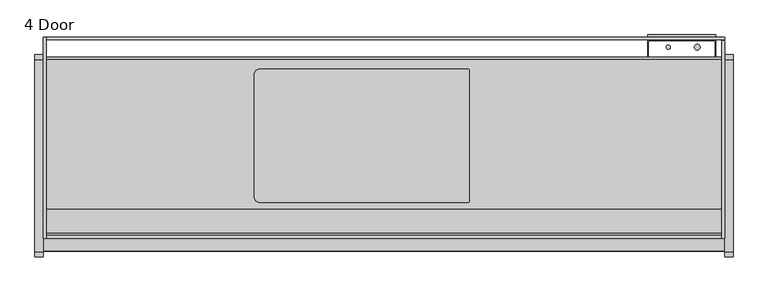
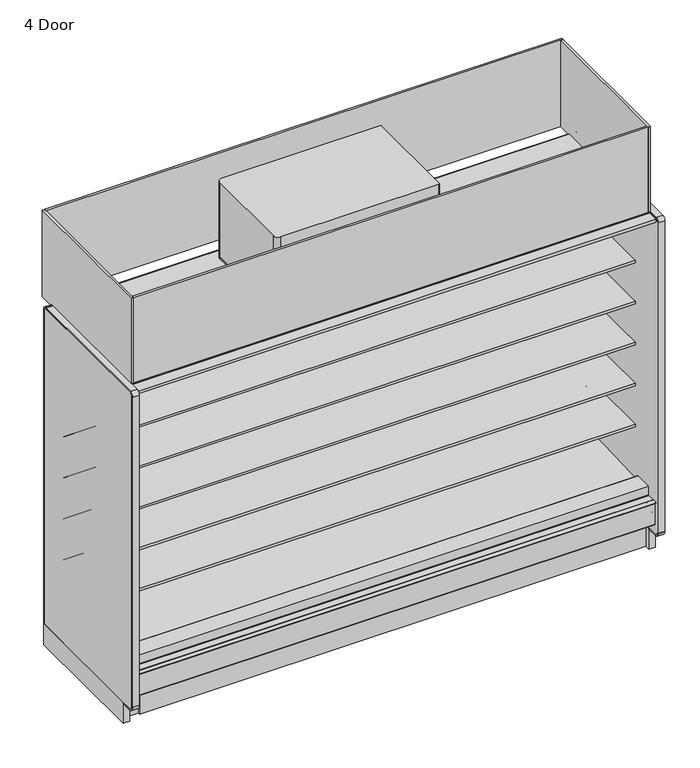
"""IFC4 building model written with IfcOpenShell, lengths in millimetres: proxy geometry, 4 Door."""

from ifc_helpers import new_model, si_unit, point, frame, frame_2d, origin, origin_with_axes, place, context, project, spatial, polyline, circle_curve, trimmed, segment, composite_curve, outline, extrude, source, transform, mapped, element, save


def proxy_4_door_6a952fb0(model_context):
    return source(origin(), model_context, "Body", "SweptSolid", [
        extrude(outline(polyline([(-1104.6571273, 0.0), (-1117.3571273, 0.0), (-1117.3571273, 195.9867506), (-1104.6571273, 185.3301853), (-1104.6571273, 0.0)])), frame((76.2, 0.0, 0.0), z_axis=(1.0, 0.0, 0.0), x_axis=(0.0, 1.0, 0.0)), (0.0, 0.0, 1.0), 2971.8),
        extrude(outline(polyline([(-1076.9207723, 2007.1442562), (-1074.8612926, 2015.4043781), (-1036.8504523, 2005.9272112), (-1039.7781058, 1997.8835493), (-1076.9207723, 2007.1442562)])), frame((76.2, 0.0, 0.0), z_axis=(1.0, 0.0, 0.0), x_axis=(0.0, 1.0, 0.0)), (0.0, 0.0, 1.0), 2971.8),
        extrude(outline(polyline([(3048.0, -361.7071273), (3048.0, -1161.8071273), (0.0, -1161.8071273), (0.0, -361.7071273), (3048.0, -361.7071273)])), frame((0.0, 0.0, 2096.29375), z_axis=(0.0, 0.0, 1.0), x_axis=(1.0, 0.0, 0.0)), (0.0, 0.0, 1.0), 6.35),
        extrude(outline(composite_curve([segment(polyline([(942.975, -976.3814161), (942.975, -428.9752148)]), True, "CONTINUOUS"), segment(trimmed(circle_curve(frame_2d((968.375, -428.9752148)), 25.4), [point((942.975, -428.9752148))], [point((968.375, -403.5752148))], False, "CARTESIAN"), True, "CONTINUOUS"), segment(polyline([(968.375, -403.5752148), (1899.62536, -403.5752148)]), True, "CONTINUOUS"), segment(trimmed(circle_curve(frame_2d((1899.62536, -408.9498548)), 5.37464), [point((1899.62536, -403.5752148))], [point((1905.0, -408.9498548))], False, "CARTESIAN"), True, "CONTINUOUS"), segment(polyline([(1905.0, -408.9498548), (1905.0, -996.4067761)]), True, "CONTINUOUS"), segment(trimmed(circle_curve(frame_2d((1899.62536, -996.4067761)), 5.37464), [point((1905.0, -996.4067761))], [point((1899.62536, -1001.7814161))], False, "CARTESIAN"), True, "CONTINUOUS"), segment(polyline([(1899.62536, -1001.7814161), (968.375, -1001.7814161)]), True, "CONTINUOUS"), segment(trimmed(circle_curve(frame_2d((968.375, -976.3814161)), 25.4), [point((968.375, -1001.7814161))], [point((942.975, -976.3814161))], False, "CARTESIAN"), True, "CONTINUOUS")], self_intersect=False)), frame((0.0, 0.0, 2102.64375), z_axis=(0.0, 0.0, 1.0), x_axis=(1.0, 0.0, 0.0)), (0.0, 0.0, 1.0), 12.7),
        extrude(outline(composite_curve([segment(polyline([(942.975, -976.3814161), (942.975, -428.9752148)]), True, "CONTINUOUS"), segment(trimmed(circle_curve(frame_2d((968.375, -428.9752148)), 25.4), [point((942.975, -428.9752148))], [point((968.375, -403.5752148))], False, "CARTESIAN"), True, "CONTINUOUS"), segment(polyline([(968.375, -403.5752148), (1899.62536, -403.5752148)]), True, "CONTINUOUS"), segment(trimmed(circle_curve(frame_2d((1899.62536, -408.9498548)), 5.37464), [point((1899.62536, -403.5752148))], [point((1905.0, -408.9498548))], False, "CARTESIAN"), True, "CONTINUOUS"), segment(polyline([(1905.0, -408.9498548), (1905.0, -996.4067761)]), True, "CONTINUOUS"), segment(trimmed(circle_curve(frame_2d((1899.62536, -996.4067761)), 5.37464), [point((1905.0, -996.4067761))], [point((1899.62536, -1001.7814161))], False, "CARTESIAN"), True, "CONTINUOUS"), segment(polyline([(1899.62536, -1001.7814161), (968.375, -1001.7814161)]), True, "CONTINUOUS"), segment(trimmed(circle_curve(frame_2d((968.375, -976.3814161)), 25.4), [point((968.375, -1001.7814161))], [point((942.975, -976.3814161))], False, "CARTESIAN"), True, "CONTINUOUS")], self_intersect=False)), frame((0.0, 0.0, 2115.34375), z_axis=(0.0, 0.0, 1.0), x_axis=(1.0, 0.0, 0.0)), (0.0, 0.0, 1.0), 461.75168),
        extrude(outline(polyline([(3048.0, -275.6866697), (3048.0, -1161.8071273), (3035.3, -1161.8071273), (3035.3, -275.6866697), (3048.0, -275.6866697)])), frame((0.0, 0.0, 2096.29375), z_axis=(0.0, 0.0, 1.0), x_axis=(1.0, 0.0, 0.0)), (0.0, 0.0, 1.0), 535.78125),
        extrude(outline(polyline([(12.7, -260.1071273), (12.7, -1161.8071273), (0.0, -1161.8071273), (0.0, -260.1071273), (12.7, -260.1071273)])), frame((0.0, 0.0, 2096.29375), z_axis=(0.0, 0.0, 1.0), x_axis=(1.0, 0.0, 0.0)), (0.0, 0.0, 1.0), 535.78125),
        extrude(outline(polyline([(3048.0, -260.1071273), (3048.0, -272.8071273), (12.7, -272.8071273), (12.7, -260.1071273), (3048.0, -260.1071273)])), frame((0.0, 0.0, 2096.29375), z_axis=(0.0, 0.0, 1.0), x_axis=(1.0, 0.0, 0.0)), (0.0, 0.0, 1.0), 536.1572188),
        extrude(outline(composite_curve([segment(polyline([(-1032.1083773, 2096.29375), (-1161.8071273, 2096.29375), (-1161.8071273, 2632.075), (-1149.113193, 2632.075), (-1149.113193, 2133.6584688)]), True, "CONTINUOUS"), segment(trimmed(circle_curve(frame_2d((-1136.413193, 2133.6584688)), 12.7), [point((-1149.113193, 2133.6584688))], [point((-1136.413193, 2120.9584688))], True, "CARTESIAN"), True, "CONTINUOUS"), segment(polyline([(-1136.413193, 2120.9584688), (-1032.1083773, 2120.9584688), (-1032.1083773, 2096.29375)]), True, "CONTINUOUS")], self_intersect=False)), frame((12.7, 0.0, 0.0), z_axis=(1.0, 0.0, 0.0), x_axis=(0.0, 1.0, 0.0)), (0.0, 0.0, 1.0), 3035.3),
        extrude(outline(polyline([(-349.0071273, 129.3876), (-1037.9873503, 129.3876), (-1192.1324192, 258.7306705), (-1192.1324192, 300.7449388), (-1137.9651974, 300.7449388), (-1137.9651974, 283.9418925), (-1025.3654807, 189.4595117), (-1009.819944, 190.0023738), (-964.4677493, 157.1934642), (-899.9654388, 159.4459345), (-859.8822128, 192.9404113), (-399.8071273, 220.5904298), (-399.8071273, 2043.9583622), (-1134.8551873, 2043.9583622), (-1134.8551873, 2095.5), (-349.0071273, 2095.5), (-349.0071273, 129.3876)])), frame((0.0, 0.0, 0.0), z_axis=(1.0, 0.0, 0.0), x_axis=(0.0, 1.0, 0.0)), (0.0, 0.0, 1.0), 3048.0),
        extrude(outline(polyline([(-394.9429832, 0.0), (-394.9429832, 73.7380382), (-893.6212714, 73.7380382), (-893.6212714, 0.0), (-958.6071273, 0.0), (-958.6071273, 129.3876), (-349.0071273, 129.3876), (-349.0071273, 0.0), (-394.9429832, 0.0)])), frame((0.0, 0.0, 0.0), z_axis=(1.0, 0.0, 0.0), x_axis=(0.0, 1.0, 0.0)), (0.0, 0.0, 1.0), 3048.0),
        extrude(outline(composite_curve([segment(polyline([(-1219.271907, 334.0862), (-1192.8205273, 334.0862)]), True, "CONTINUOUS"), segment(trimmed(circle_curve(frame_2d((-1192.8205273, 332.1304)), 1.9558), [point((-1192.8205273, 334.0862))], [point((-1190.8647273, 332.1304))], False, "CARTESIAN"), True, "CONTINUOUS"), segment(polyline([(-1190.8647273, 332.1304), (-1190.8647273, 321.3862), (-1190.8647273, 300.7449388), (-1192.1324192, 300.7449388), (-1192.1324192, 321.3862), (-1192.1324192, 332.1304)]), True, "CONTINUOUS"), segment(trimmed(circle_curve(frame_2d((-1192.9198192, 332.1304)), 0.7874), [point((-1192.1324192, 332.1304))], [point((-1192.9198192, 332.9178))], True, "CARTESIAN"), True, "CONTINUOUS"), segment(polyline([(-1192.9198192, 332.9178), (-1219.271907, 332.9178), (-1219.271907, 334.0862)]), True, "CONTINUOUS")], self_intersect=False)), frame((0.0, 0.0, 0.0), z_axis=(1.0, 0.0, 0.0), x_axis=(0.0, 1.0, 0.0)), (0.0, 0.0, 1.0), 3048.0),
        extrude(outline(composite_curve([segment(polyline([(-1147.6832716, 221.4334071), (-1204.6262772, 188.5573475)]), True, "CONTINUOUS"), segment(trimmed(circle_curve(frame_2d((-1205.4517772, 189.9871554)), 1.651), [point((-1204.6262772, 188.5573475))], [point((-1207.1027772, 189.9871554))], False, "CARTESIAN"), True, "CONTINUOUS"), segment(polyline([(-1207.1027772, 189.9871554), (-1207.1027772, 191.5746554), (-1207.1027772, 320.4775395), (-1207.1027772, 322.0015395)]), True, "CONTINUOUS"), segment(trimmed(circle_curve(frame_2d((-1205.4517772, 322.0015395)), 1.651), [point((-1207.1027772, 322.0015395))], [point((-1205.4517772, 323.6525395))], False, "CARTESIAN"), True, "CONTINUOUS"), segment(polyline([(-1205.4517772, 323.6525395), (-1199.1652772, 323.6525395), (-1199.1652772, 322.7889395), (-1205.4517772, 322.7889395)]), True, "CONTINUOUS"), segment(trimmed(circle_curve(frame_2d((-1205.4517772, 322.0015395)), 0.7874), [point((-1205.4517772, 322.7889395))], [point((-1206.2391772, 322.0015395))], True, "CARTESIAN"), True, "CONTINUOUS"), segment(polyline([(-1206.2391772, 322.0015395), (-1206.2391772, 320.4775395), (-1206.2391772, 189.9871554)]), True, "CONTINUOUS"), segment(trimmed(circle_curve(frame_2d((-1205.4517772, 189.9871554)), 0.7874), [point((-1206.2391772, 189.9871554))], [point((-1205.0580772, 189.305247))], True, "CARTESIAN"), True, "CONTINUOUS"), segment(polyline([(-1205.0580772, 189.305247), (-1148.3872848, 222.0241443), (-1147.6832716, 221.4334071)]), True, "CONTINUOUS")], self_intersect=False)), frame((0.0, 0.0, 0.0), z_axis=(1.0, 0.0, 0.0), x_axis=(0.0, 1.0, 0.0)), (0.0, 0.0, 1.0), 3048.0),
        extrude(outline(composite_curve([segment(polyline([(-451.3116948, 591.1422184), (-462.4195871, 590.9259013)]), True, "CONTINUOUS"), segment(trimmed(circle_curve(frame_2d((-462.9075328, 615.9819291)), 25.0607786), [point((-462.4195871, 590.9259013))], [point((-478.8148554, 596.6170199))], False, "CARTESIAN"), True, "CONTINUOUS"), segment(polyline([(-478.8148554, 596.6170199), (-517.036556, 627.7002885)]), True, "CONTINUOUS"), segment(trimmed(circle_curve(frame_2d((-557.1010291, 578.4348036)), 63.5), [point((-517.036556, 627.7002885))], [point((-550.2480196, 641.5639274))], True, "CARTESIAN"), True, "CONTINUOUS"), segment(polyline([(-550.2480196, 641.5639274), (-889.6556929, 674.1744175), (-889.6556929, 678.4587439), (-1010.0816513, 678.4587439), (-1010.0816513, 691.9524939), (-451.3116948, 691.9524939), (-451.3116948, 591.1422184)]), True, "CONTINUOUS")], self_intersect=False)), frame((0.0, 0.0, 0.0), z_axis=(1.0, 0.0, 0.0), x_axis=(0.0, 1.0, 0.0)), (0.0, 0.0, 1.0), 3048.0),
        extrude(outline(composite_curve([segment(polyline([(-451.3116948, 845.1422184), (-462.4195871, 844.9259013)]), True, "CONTINUOUS"), segment(trimmed(circle_curve(frame_2d((-462.9075328, 869.9819291)), 25.0607786), [point((-462.4195871, 844.9259013))], [point((-478.8148554, 850.6170199))], False, "CARTESIAN"), True, "CONTINUOUS"), segment(polyline([(-478.8148554, 850.6170199), (-517.036556, 881.7002885)]), True, "CONTINUOUS"), segment(trimmed(circle_curve(frame_2d((-557.1010291, 832.4348036)), 63.5), [point((-517.036556, 881.7002885))], [point((-550.2480196, 895.5639274))], True, "CARTESIAN"), True, "CONTINUOUS"), segment(polyline([(-550.2480196, 895.5639274), (-889.6556929, 928.1744175), (-889.6556929, 932.4587439), (-1010.0816513, 932.4587439), (-1010.0816513, 945.9524939), (-451.3116948, 945.9524939), (-451.3116948, 845.1422184)]), True, "CONTINUOUS")], self_intersect=False)), frame((0.0, 0.0, 0.0), z_axis=(1.0, 0.0, 0.0), x_axis=(0.0, 1.0, 0.0)), (0.0, 0.0, 1.0), 3048.0),
        extrude(outline(composite_curve([segment(polyline([(-451.3116948, 1099.1422184), (-462.4195871, 1098.9259013)]), True, "CONTINUOUS"), segment(trimmed(circle_curve(frame_2d((-462.9075328, 1123.9819291)), 25.0607786), [point((-462.4195871, 1098.9259013))], [point((-478.8148554, 1104.6170199))], False, "CARTESIAN"), True, "CONTINUOUS"), segment(polyline([(-478.8148554, 1104.6170199), (-517.036556, 1135.7002885)]), True, "CONTINUOUS"), segment(trimmed(circle_curve(frame_2d((-557.1010291, 1086.4348036)), 63.5), [point((-517.036556, 1135.7002885))], [point((-550.2480196, 1149.5639274))], True, "CARTESIAN"), True, "CONTINUOUS"), segment(polyline([(-550.2480196, 1149.5639274), (-889.6556929, 1182.1744175), (-889.6556929, 1186.4587439), (-1010.0816513, 1186.4587439), (-1010.0816513, 1199.9524939), (-451.3116948, 1199.9524939), (-451.3116948, 1099.1422184)]), True, "CONTINUOUS")], self_intersect=False)), frame((0.0, 0.0, 0.0), z_axis=(1.0, 0.0, 0.0), x_axis=(0.0, 1.0, 0.0)), (0.0, 0.0, 1.0), 3048.0),
        extrude(outline(composite_curve([segment(polyline([(-451.3116948, 1353.1422184), (-462.4195871, 1352.9259013)]), True, "CONTINUOUS"), segment(trimmed(circle_curve(frame_2d((-462.9075328, 1377.9819291)), 25.0607786), [point((-462.4195871, 1352.9259013))], [point((-478.8148554, 1358.6170199))], False, "CARTESIAN"), True, "CONTINUOUS"), segment(polyline([(-478.8148554, 1358.6170199), (-517.036556, 1389.7002885)]), True, "CONTINUOUS"), segment(trimmed(circle_curve(frame_2d((-557.1010291, 1340.4348036)), 63.5), [point((-517.036556, 1389.7002885))], [point((-550.2480196, 1403.5639274))], True, "CARTESIAN"), True, "CONTINUOUS"), segment(polyline([(-550.2480196, 1403.5639274), (-889.6556929, 1436.1744175), (-889.6556929, 1440.4587439), (-1010.0816513, 1440.4587439), (-1010.0816513, 1453.9524939), (-451.3116948, 1453.9524939), (-451.3116948, 1353.1422184)]), True, "CONTINUOUS")], self_intersect=False)), frame((0.0, 0.0, 0.0), z_axis=(1.0, 0.0, 0.0), x_axis=(0.0, 1.0, 0.0)), (0.0, 0.0, 1.0), 3048.0),
        extrude(outline(polyline([(-1218.7163962, 2070.8112), (-1218.7163962, 2089.15), (-1134.8551873, 2089.15), (-1134.8551873, 2043.9583622), (-1147.784197, 2043.9583622), (-1147.784197, 2070.8112), (-1218.7163962, 2070.8112)])), frame((0.0, 0.0, 0.0), z_axis=(1.0, 0.0, 0.0), x_axis=(0.0, 1.0, 0.0)), (0.0, 0.0, 1.0), 3048.0),
        extrude(outline(polyline([(-1147.784197, 334.0862), (-1141.434197, 334.0862), (-1141.434197, 302.7473029), (-1141.434197, 300.7449388), (-1190.8639311, 300.7449388), (-1190.8657083, 334.0862), (-1147.784197, 334.0862)])), frame((0.0, 0.0, 0.0), z_axis=(1.0, 0.0, 0.0), x_axis=(0.0, 1.0, 0.0)), (0.0, 0.0, 1.0), 3048.0),
        extrude(outline(composite_curve([segment(polyline([(-451.3116948, 1607.1422184), (-462.4195871, 1606.9259013)]), True, "CONTINUOUS"), segment(trimmed(circle_curve(frame_2d((-462.9075328, 1631.9819291)), 25.0607786), [point((-462.4195871, 1606.9259013))], [point((-478.8148554, 1612.6170199))], False, "CARTESIAN"), True, "CONTINUOUS"), segment(polyline([(-478.8148554, 1612.6170199), (-517.036556, 1643.7002885)]), True, "CONTINUOUS"), segment(trimmed(circle_curve(frame_2d((-557.1010291, 1594.4348036)), 63.5), [point((-517.036556, 1643.7002885))], [point((-550.2480196, 1657.5639274))], True, "CARTESIAN"), True, "CONTINUOUS"), segment(polyline([(-550.2480196, 1657.5639274), (-889.6556929, 1690.1744175), (-889.6556929, 1694.4587439), (-1010.1116948, 1694.4587439), (-1010.1116948, 1707.9524939), (-451.3116948, 1707.9524939), (-451.3116948, 1607.1422184)]), True, "CONTINUOUS")], self_intersect=False)), frame((0.0, 0.0, 0.0), z_axis=(1.0, 0.0, 0.0), x_axis=(0.0, 1.0, 0.0)), (0.0, 0.0, 1.0), 3048.0),
        extrude(outline(polyline([(-567.2562782, 2018.5249991), (-1017.6292833, 2018.5249991), (-1036.9661273, 1995.0715709), (-1041.9696546, 1996.3190903), (-1041.4741571, 1998.3064224), (-1039.7781058, 1997.8835493), (-1021.8347672, 2018.5249991), (-1076.9207723, 2018.5249991), (-1076.9207723, 2007.1442562), (-1074.5967475, 2006.5648117), (-1075.092245, 2004.5774796), (-1080.0957723, 2005.8249991), (-1080.0957723, 2018.5249991), (-1089.6692942, 2018.5249991), (-1089.6692942, 2034.8268848), (-1102.3692942, 2034.8268848), (-1102.3692942, 2043.9583622), (-399.8071273, 2043.9583622), (-399.8071273, 300.7449388), (-451.3116948, 300.7449388), (-451.3116948, 2018.5249991), (-567.2562782, 2018.5249991)])), frame((0.0, 0.0, 0.0), z_axis=(1.0, 0.0, 0.0), x_axis=(0.0, 1.0, 0.0)), (0.0, 0.0, 1.0), 3048.0),
        extrude(outline(composite_curve([segment(polyline([(-549.102044, 376.9132463), (-549.102044, 389.995836), (-476.8468712, 389.995836), (-476.8468712, 399.2749991), (-451.3116948, 399.2749991), (-451.3116948, 380.470836), (-451.3116948, 300.7449388), (-399.8071273, 300.7449388), (-399.8071273, 220.5904298), (-859.8822128, 192.9404113), (-899.9654388, 159.4459345), (-964.4677493, 157.1934642), (-1009.819944, 190.0023738), (-1025.3654807, 189.4595117), (-1137.9651974, 283.9418925), (-1137.9651974, 300.7449388), (-1141.434197, 300.7449388), (-1141.434197, 388.7420495), (-1036.9661273, 388.7420495)]), True, "CONTINUOUS"), segment(trimmed(circle_curve(frame_2d((-1036.9661273, 386.6846495)), 2.0574), [point((-1036.9661273, 388.7420495))], [point((-1034.9087273, 386.6846495))], False, "CARTESIAN"), True, "CONTINUOUS"), segment(polyline([(-1034.9087273, 386.6846495), (-1034.9087273, 358.7683558), (-549.102044, 376.9132463)]), True, "CONTINUOUS")], self_intersect=False)), frame((0.0, 0.0, 0.0), z_axis=(1.0, 0.0, 0.0), x_axis=(0.0, 1.0, 0.0)), (0.0, 0.0, 1.0), 3048.0),
        extrude(outline(composite_curve([segment(trimmed(circle_curve(frame_2d((2925.8082444, -305.1108756)), 12.7), [point((2913.1082444, -305.1108756))], [point((2938.5082444, -305.1108756))], False, "CARTESIAN"), True, "CONTINUOUS"), segment(trimmed(circle_curve(frame_2d((2925.8082444, -305.1108756)), 12.7), [point((2938.5082444, -305.1108756))], [point((2913.1082444, -305.1108756))], False, "CARTESIAN"), True, "CONTINUOUS")], self_intersect=False)), frame((0.0, 0.0, 1138.0399939), z_axis=(0.0, 0.0, 1.0), x_axis=(1.0, 0.0, 0.0)), (0.0, 0.0, 1.0), 554.8039204),
        extrude(outline(composite_curve([segment(trimmed(circle_curve(frame_2d((2796.38125, -305.1108756)), 9.525), [point((2786.85625, -305.1108756))], [point((2805.90625, -305.1108756))], False, "CARTESIAN"), True, "CONTINUOUS"), segment(trimmed(circle_curve(frame_2d((2796.38125, -305.1108756)), 9.525), [point((2805.90625, -305.1108756))], [point((2786.85625, -305.1108756))], False, "CARTESIAN"), True, "CONTINUOUS")], self_intersect=False)), frame((0.0, 0.0, 1138.0399939), z_axis=(0.0, 0.0, 1.0), x_axis=(1.0, 0.0, 0.0)), (0.0, 0.0, 1.0), 554.8039204),
        extrude(outline(composite_curve([segment(polyline([(-349.0071273, 133.35), (-1209.4321273, 133.35)]), True, "CONTINUOUS"), segment(trimmed(circle_curve(frame_2d((-1209.4321273, 158.75)), 25.4), [point((-1209.4321273, 133.35))], [point((-1234.8321273, 158.75))], False, "CARTESIAN"), True, "CONTINUOUS"), segment(polyline([(-1234.8321273, 158.75), (-1234.8321273, 2082.8)]), True, "CONTINUOUS"), segment(trimmed(circle_curve(frame_2d((-1222.1321273, 2082.8)), 12.7), [point((-1234.8321273, 2082.8))], [point((-1222.1321273, 2095.5))], False, "CARTESIAN"), True, "CONTINUOUS"), segment(polyline([(-1222.1321273, 2095.5), (-361.7071273, 2095.5)]), True, "CONTINUOUS"), segment(trimmed(circle_curve(frame_2d((-361.7071273, 2082.8)), 12.7), [point((-361.7071273, 2095.5))], [point((-349.0071273, 2082.8))], False, "CARTESIAN"), True, "CONTINUOUS"), segment(polyline([(-349.0071273, 2082.8), (-349.0071273, 133.35)]), True, "CONTINUOUS")], self_intersect=False)), frame((3048.0, 0.0, 0.0), z_axis=(1.0, 0.0, 0.0), x_axis=(0.0, 1.0, 0.0)), (0.0, 0.0, 1.0), 38.1),
        extrude(outline(composite_curve([segment(polyline([(-349.0071273, 133.35), (-349.0071273, 2082.8)]), True, "CONTINUOUS"), segment(trimmed(circle_curve(frame_2d((-361.7071273, 2082.8)), 12.7), [point((-349.0071273, 2082.8))], [point((-361.7071273, 2095.5))], True, "CARTESIAN"), True, "CONTINUOUS"), segment(polyline([(-361.7071273, 2095.5), (-1222.1321273, 2095.5)]), True, "CONTINUOUS"), segment(trimmed(circle_curve(frame_2d((-1222.1321273, 2082.8)), 12.7), [point((-1222.1321273, 2095.5))], [point((-1234.8321273, 2082.8))], True, "CARTESIAN"), True, "CONTINUOUS"), segment(polyline([(-1234.8321273, 2082.8), (-1234.8321273, 158.75)]), True, "CONTINUOUS"), segment(trimmed(circle_curve(frame_2d((-1209.4321273, 158.75)), 25.4), [point((-1234.8321273, 158.75))], [point((-1209.4321273, 133.35))], True, "CARTESIAN"), True, "CONTINUOUS"), segment(polyline([(-1209.4321273, 133.35), (-1145.9321273, 133.35), (-1145.9321273, 123.825), (-1209.4321273, 123.825)]), True, "CONTINUOUS"), segment(trimmed(circle_curve(frame_2d((-1209.4321273, 158.75)), 34.925), [point((-1209.4321273, 123.825))], [point((-1244.3571273, 158.75))], False, "CARTESIAN"), True, "CONTINUOUS"), segment(polyline([(-1244.3571273, 158.75), (-1244.3571273, 2082.8)]), True, "CONTINUOUS"), segment(trimmed(circle_curve(frame_2d((-1222.1321273, 2082.8)), 22.225), [point((-1244.3571273, 2082.8))], [point((-1222.1321273, 2105.025))], False, "CARTESIAN"), True, "CONTINUOUS"), segment(polyline([(-1222.1321273, 2105.025), (-361.7071273, 2105.025)]), True, "CONTINUOUS"), segment(trimmed(circle_curve(frame_2d((-361.7071273, 2082.8)), 22.225), [point((-361.7071273, 2105.025))], [point((-339.4821273, 2082.8))], False, "CARTESIAN"), True, "CONTINUOUS"), segment(polyline([(-339.4821273, 2082.8), (-339.4821273, 133.35), (-349.0071273, 133.35)]), True, "CONTINUOUS")], self_intersect=False)), frame((3048.0, 0.0, 0.0), z_axis=(1.0, 0.0, 0.0), x_axis=(0.0, 1.0, 0.0)), (0.0, 0.0, 1.0), 38.1),
        extrude(outline(polyline([(3009.10625, -250.0454628), (3009.10625, -349.0071273), (3005.93125, -349.0071273), (3005.93125, -275.6866697), (2707.48125, -275.6866697), (2707.48125, -349.0071273), (2704.30625, -349.0071273), (2704.30625, -250.0454628), (3009.10625, -250.0454628)])), frame((0.0, 0.0, 193.7512), z_axis=(0.0, 0.0, 1.0), x_axis=(1.0, 0.0, 0.0)), (0.0, 0.0, 1.0), 1438.7950439),
        extrude(outline(composite_curve([segment(polyline([(-349.0071273, 133.35), (-1209.4321273, 133.35)]), True, "CONTINUOUS"), segment(trimmed(circle_curve(frame_2d((-1209.4321273, 158.75)), 25.4), [point((-1209.4321273, 133.35))], [point((-1234.8321273, 158.75))], False, "CARTESIAN"), True, "CONTINUOUS"), segment(polyline([(-1234.8321273, 158.75), (-1234.8321273, 2082.8)]), True, "CONTINUOUS"), segment(trimmed(circle_curve(frame_2d((-1222.1321273, 2082.8)), 12.7), [point((-1234.8321273, 2082.8))], [point((-1222.1321273, 2095.5))], False, "CARTESIAN"), True, "CONTINUOUS"), segment(polyline([(-1222.1321273, 2095.5), (-361.7071273, 2095.5)]), True, "CONTINUOUS"), segment(trimmed(circle_curve(frame_2d((-361.7071273, 2082.8)), 12.7), [point((-361.7071273, 2095.5))], [point((-349.0071273, 2082.8))], False, "CARTESIAN"), True, "CONTINUOUS"), segment(polyline([(-349.0071273, 2082.8), (-349.0071273, 133.35)]), True, "CONTINUOUS")], self_intersect=False)), frame((-38.1, 0.0, 0.0), z_axis=(1.0, 0.0, 0.0), x_axis=(0.0, 1.0, 0.0)), (0.0, 0.0, 1.0), 38.1),
        extrude(outline(composite_curve([segment(polyline([(-349.0071273, 133.35), (-349.0071273, 2082.8)]), True, "CONTINUOUS"), segment(trimmed(circle_curve(frame_2d((-361.7071273, 2082.8)), 12.7), [point((-349.0071273, 2082.8))], [point((-361.7071273, 2095.5))], True, "CARTESIAN"), True, "CONTINUOUS"), segment(polyline([(-361.7071273, 2095.5), (-1222.1321273, 2095.5)]), True, "CONTINUOUS"), segment(trimmed(circle_curve(frame_2d((-1222.1321273, 2082.8)), 12.7), [point((-1222.1321273, 2095.5))], [point((-1234.8321273, 2082.8))], True, "CARTESIAN"), True, "CONTINUOUS"), segment(polyline([(-1234.8321273, 2082.8), (-1234.8321273, 158.75)]), True, "CONTINUOUS"), segment(trimmed(circle_curve(frame_2d((-1209.4321273, 158.75)), 25.4), [point((-1234.8321273, 158.75))], [point((-1209.4321273, 133.35))], True, "CARTESIAN"), True, "CONTINUOUS"), segment(polyline([(-1209.4321273, 133.35), (-1145.9321273, 133.35), (-1145.9321273, 123.825), (-1209.4321273, 123.825)]), True, "CONTINUOUS"), segment(trimmed(circle_curve(frame_2d((-1209.4321273, 158.75)), 34.925), [point((-1209.4321273, 123.825))], [point((-1244.3571273, 158.75))], False, "CARTESIAN"), True, "CONTINUOUS"), segment(polyline([(-1244.3571273, 158.75), (-1244.3571273, 2082.8)]), True, "CONTINUOUS"), segment(trimmed(circle_curve(frame_2d((-1222.1321273, 2082.8)), 22.225), [point((-1244.3571273, 2082.8))], [point((-1222.1321273, 2105.025))], False, "CARTESIAN"), True, "CONTINUOUS"), segment(polyline([(-1222.1321273, 2105.025), (-361.7071273, 2105.025)]), True, "CONTINUOUS"), segment(trimmed(circle_curve(frame_2d((-361.7071273, 2082.8)), 22.225), [point((-361.7071273, 2105.025))], [point((-339.4821273, 2082.8))], False, "CARTESIAN"), True, "CONTINUOUS"), segment(polyline([(-339.4821273, 2082.8), (-339.4821273, 133.35), (-349.0071273, 133.35)]), True, "CONTINUOUS")], self_intersect=False)), frame((-38.1, 0.0, 0.0), z_axis=(1.0, 0.0, 0.0), x_axis=(0.0, 1.0, 0.0)), (0.0, 0.0, 1.0), 38.1),
        extrude(outline(polyline([(0.0, -339.4821273), (0.0, -1145.9321273), (-38.1, -1145.9321273), (-38.1, -339.4821273), (0.0, -339.4821273)])), origin_with_axes(), (0.0, 0.0, 1.0), 133.35),
        extrude(outline(polyline([(3086.1, -339.4821273), (3086.1, -1145.9321273), (3048.0, -1145.9321273), (3048.0, -339.4821273), (3086.1, -339.4821273)])), origin_with_axes(), (0.0, 0.0, 1.0), 133.35),
        extrude(outline(polyline([(105.5601284, -735.1975818), (397.6601284, -735.1975818), (397.6601284, -986.5952905), (105.5601284, -986.5952905), (105.5601284, -735.1975818)])), frame((0.0, 0.0, 95.25), z_axis=(0.0, 0.0, 1.0), x_axis=(1.0, 0.0, 0.0)), (0.0, 0.0, 1.0), 6.35),
        extrude(outline(composite_curve([segment(trimmed(circle_curve(frame_2d((1524.0, -968.1321273)), 38.1), [point((1485.9, -968.1321273))], [point((1562.1, -968.1321273))], False, "CARTESIAN"), True, "CONTINUOUS"), segment(trimmed(circle_curve(frame_2d((1524.0, -968.1321273)), 38.1), [point((1562.1, -968.1321273))], [point((1485.9, -968.1321273))], False, "CARTESIAN"), True, "CONTINUOUS")], self_intersect=False)), origin_with_axes(), (0.0, 0.0, 1.0), 101.6),
        extrude(outline(polyline([(-1104.6571273, 0.0), (-1104.6571273, 185.3301853), (-1037.9873503, 129.3876), (-958.6071273, 129.3876), (-958.6071273, 0.0), (-1104.6571273, 0.0)])), frame((0.0, 0.0, 0.0), z_axis=(1.0, 0.0, 0.0), x_axis=(0.0, 1.0, 0.0)), (0.0, 0.0, 1.0), 3048.0),
    ])


if __name__ == "__main__":
    model = new_model("IFC4")
    model_context = context("Model", 3, world=origin())
    ifc_project = project(units=[si_unit("LENGTHUNIT", "METRE", prefix="MILLI")], contexts=[model_context])
    site = spatial("IfcSite", under=ifc_project)
    building = spatial("IfcBuilding", under=site)
    placement = place(None, origin())
    proxy_4_door_shape = proxy_4_door_6a952fb0(model_context)
    element("IfcBuildingElementProxy", 1, Name="4 Door", ObjectType="4 Door", at=placement, inside=building, context=model_context, shape_type="MappedRepresentation", body=[
        mapped(proxy_4_door_shape, transform((0.0, 0.0, 0.0), x_axis=(1.0, 0.0, 0.0), y_axis=(0.0, 1.0, 0.0), z_axis=(0.0, 0.0, 1.0))),
    ])
    save(model, "model.ifc")
